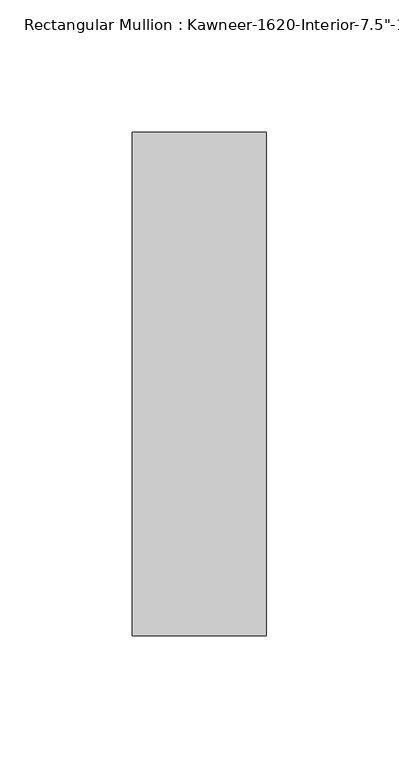
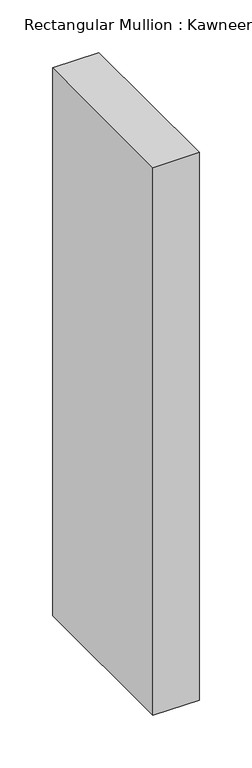
"""IFC4 building model written with IfcOpenShell, lengths in millimetres: member geometry."""

import ifcopenshell
import ifcopenshell.guid

model = None  # the IFC model being written
_history = None  # IfcOwnerHistory: only IFC2X3 demands one
_inside = {}  # id of a spatial element -> (the spatial element, [elements in it])
_under = {}  # id of a project, library or spatial element -> (it, [spatial elements below it])
_declared = {}  # id of a project -> (the project, [libraries it declares])
_typed = {}  # id of a type object -> (the type object, [elements of that type])
_made_of = {}  # id of a material, layer set ... -> (it, [elements and type objects made of it])


def new_model(schema):
    """Start an empty IFC model of exactly this schema.

    Asked for "IFC4X3", IfcOpenShell would pick the latest addendum, in which some entities
    have other attributes; the version numbers below select the first issue.
    IFC2X3 requires an IfcOwnerHistory on every rooted entity: one is made here for all.
    """
    global model, _history
    if schema == "IFC4X3":
        model = ifcopenshell.file(schema_version=(4, 3, 0, 0))
    else:
        model = ifcopenshell.file(schema=schema)
    _inside.clear()
    _under.clear()
    _declared.clear()
    _typed.clear()
    _made_of.clear()
    _history = None
    if model.schema == "IFC2X3":
        org = make("IfcOrganization", Name="unknown")
        user = make(
            "IfcPersonAndOrganization",
            ThePerson=make("IfcPerson", FamilyName="unknown"),
            TheOrganization=org,
        )
        app = make(
            "IfcApplication",
            ApplicationDeveloper=org,
            Version="unknown",
            ApplicationFullName="unknown",
            ApplicationIdentifier="unknown",
        )
        _history = make(
            "IfcOwnerHistory",
            OwningUser=user,
            OwningApplication=app,
            ChangeAction="ADDED",
            CreationDate=0,
        )
    return model


def make(cls, **values):
    """One entity of the class cls with the attributes given. An attribute that is None is left unset."""
    return model.create_entity(
        cls, **{name: value for name, value in values.items() if value is not None}
    )


def rooted(cls, **values):
    """An entity with a GlobalId (a new one), such as an element, a storey or a relation."""
    return make(cls, GlobalId=ifcopenshell.guid.new(), OwnerHistory=_history, **values)


def si_unit(unit_type, name, prefix=None):
    """IfcSIUnit, for example si_unit("LENGTHUNIT", "METRE", prefix="MILLI")."""
    return make("IfcSIUnit", UnitType=unit_type, Prefix=prefix, Name=name)


def assignment(units):
    """IfcUnitAssignment: the units of a project."""
    return None if units is None else make("IfcUnitAssignment", Units=units)


def point(xyz):
    """IfcCartesianPoint."""
    return None if xyz is None else make("IfcCartesianPoint", Coordinates=xyz)


def direction(xyz):
    """IfcDirection."""
    return None if xyz is None else make("IfcDirection", DirectionRatios=xyz)


def frame(location, z_axis=None, x_axis=None):
    """IfcAxis2Placement3D, a coordinate frame: its origin and axes. An axis left out is left unset."""
    return make(
        "IfcAxis2Placement3D",
        Location=point(location),
        Axis=direction(z_axis),
        RefDirection=direction(x_axis),
    )


def origin():
    """The frame at (0, 0, 0) with its axes left unset."""
    return frame((0.0, 0.0, 0.0))


def place(relative_to, where):
    """IfcLocalPlacement: puts the frame where relative to a parent placement (None: the world)."""
    return make(
        "IfcLocalPlacement", PlacementRelTo=relative_to, RelativePlacement=where
    )


def context(
    kind, dimensions, precision=None, world=None, true_north=None, identifier=None
):
    """IfcGeometricRepresentationContext, for example the 3D "Model" context."""
    return make(
        "IfcGeometricRepresentationContext",
        ContextIdentifier=identifier,
        ContextType=kind,
        CoordinateSpaceDimension=dimensions,
        Precision=precision,
        WorldCoordinateSystem=world,
        TrueNorth=true_north,
    )


def project(units=None, contexts=None):
    """IfcProject with its units and contexts."""
    return rooted(
        "IfcProject",
        Name="project",
        RepresentationContexts=contexts,
        UnitsInContext=assignment(units),
    )


def spatial(cls, under=None, at=None, **own):
    """A site, building, storey or space (cls), placed at a placement, below another one or the project."""
    s = rooted(cls, ObjectPlacement=at, **own)
    if under is not None:
        _under.setdefault(under.id(), (under, []))[1].append(s)
    return s


def polyline(points):
    """IfcPolyline through the points."""
    return make("IfcPolyline", Points=[point(p) for p in points])


def outline(outer, holes=None, kind="AREA"):
    """IfcArbitraryClosedProfileDef: a profile drawn as a closed curve; with holes, ...WithVoids."""
    if holes is None:
        return make("IfcArbitraryClosedProfileDef", ProfileType=kind, OuterCurve=outer)
    return make(
        "IfcArbitraryProfileDefWithVoids",
        ProfileType=kind,
        OuterCurve=outer,
        InnerCurves=holes,
    )


def extrude(swept, where, along, depth):
    """IfcExtrudedAreaSolid: the profile swept, set in the frame where, extruded along a direction by depth."""
    return make(
        "IfcExtrudedAreaSolid",
        SweptArea=swept,
        Position=where,
        ExtrudedDirection=direction(along),
        Depth=depth,
    )


def shape(context_of_items, identifier, shape_type, items):
    """IfcShapeRepresentation: the items that make up one representation, for example the "Body"."""
    return make(
        "IfcShapeRepresentation",
        ContextOfItems=context_of_items,
        RepresentationIdentifier=identifier,
        RepresentationType=shape_type,
        Items=items,
    )


def source(mapping_origin, context_of_items, identifier, shape_type, items):
    """IfcRepresentationMap: a shape defined once, which mapped items show again and again."""
    return make(
        "IfcRepresentationMap",
        MappingOrigin=mapping_origin,
        MappedRepresentation=shape(context_of_items, identifier, shape_type, items),
    )


def transform(
    local_origin,
    x_axis=None,
    y_axis=None,
    z_axis=None,
    scale=None,
    scale2=None,
    scale3=None,
    uniform=True,
):
    """IfcCartesianTransformationOperator3D, or its non-uniform kind. x_axis, y_axis, z_axis: its Axis1, 2, 3."""
    if uniform:
        return make(
            "IfcCartesianTransformationOperator3D",
            Axis1=direction(x_axis),
            Axis2=direction(y_axis),
            LocalOrigin=point(local_origin),
            Scale=scale,
            Axis3=direction(z_axis),
        )
    return make(
        "IfcCartesianTransformationOperator3DnonUniform",
        Axis1=direction(x_axis),
        Axis2=direction(y_axis),
        LocalOrigin=point(local_origin),
        Scale=scale,
        Axis3=direction(z_axis),
        Scale2=scale2,
        Scale3=scale3,
    )


def mapped(mapping_source, mapping_target):
    """IfcMappedItem: shows the shape of a source again, moved by a transform."""
    return make(
        "IfcMappedItem", MappingSource=mapping_source, MappingTarget=mapping_target
    )


def made_of(thing, what):
    """Note that an element or type object is made of a material, layer set ...; save() writes the relation."""
    if what is not None:
        _made_of.setdefault(what.id(), (what, []))[1].append(thing)
    return thing


def element(
    cls,
    number,
    at=None,
    inside=None,
    cuts=None,
    type_object=None,
    material=None,
    context=None,
    identifier="Body",
    shape_type=None,
    held_by="IfcProductDefinitionShape",
    body=None,
    shapes=None,
    **own,
):
    """One element of the class cls, such as IfcWall. Its Tag is "e" and its number.

    at: its placement. inside: the storey or other place that contains it. cuts: it is an
    opening in that element (IfcRelVoidsElement). A single representation is given by context,
    identifier, shape_type and body (its items); several are given by shapes. held_by: the class
    of the entity that holds the representations. save() writes the other relations.
    """
    e = rooted(cls, Tag="e%d" % number, ObjectPlacement=at, **own)
    if body is not None:
        shapes = [shape(context, identifier, shape_type, body)]
    if shapes is not None:
        e.Representation = make(held_by, Representations=shapes)
    if inside is not None:
        _inside.setdefault(inside.id(), (inside, []))[1].append(e)
    if cuts is not None:
        rooted(
            "IfcRelVoidsElement", RelatingBuildingElement=cuts, RelatedOpeningElement=e
        )
    if type_object is not None:
        _typed.setdefault(type_object.id(), (type_object, []))[1].append(e)
    return made_of(e, material)


def aggregate(whole, parts):
    """IfcRelAggregates: a whole, such as a stair, and the parts it consists of."""
    return rooted("IfcRelAggregates", RelatingObject=whole, RelatedObjects=parts)


def save(model, path):
    """Write the relations noted so far, then the file.

    IfcRelAggregates (storeys below a building ...), IfcRelContainedInSpatialStructure (elements
    in a storey), IfcRelDefinesByType, IfcRelAssociatesMaterial and IfcRelDeclares: one each for
    every whole, place, type object, material and project.
    """
    for whole, parts in _under.values():
        aggregate(whole, parts)
    for where, things in _inside.values():
        rooted(
            "IfcRelContainedInSpatialStructure",
            RelatedElements=things,
            RelatingStructure=where,
        )
    for kind, things in _typed.values():
        rooted("IfcRelDefinesByType", RelatedObjects=things, RelatingType=kind)
    for what, things in _made_of.values():
        rooted("IfcRelAssociatesMaterial", RelatedObjects=things, RelatingMaterial=what)
    for by, libraries in _declared.values():
        rooted("IfcRelDeclares", RelatingContext=by, RelatedDefinitions=libraries)
    model.write(path)


def member_84841b17(model_context):
    return source(origin(), model_context, "Body", "SweptSolid", [
        extrude(outline(polyline([(25.4, -161.925), (-25.4, -161.925), (-25.4, 28.575), (25.4, 28.575), (25.4, -161.925)])), frame((0.0, 0.0, -635.0), z_axis=(0.0, 0.0, 1.0), x_axis=(1.0, 0.0, 0.0)), (0.0, 0.0, 1.0), 635.0),
    ])


if __name__ == "__main__":
    model = new_model("IFC4")
    model_context = context("Model", 3, world=origin())
    ifc_project = project(units=[si_unit("LENGTHUNIT", "METRE", prefix="MILLI")], contexts=[model_context])
    site = spatial("IfcSite", under=ifc_project)
    building = spatial("IfcBuilding", under=site)
    placement = place(None, origin())
    member_shape = member_84841b17(model_context)
    element("IfcMember", 1, ObjectType="Rectangular Mullion : Kawneer-1620-Interior-7.5\"-1/4\"Infill", at=placement, inside=building, context=model_context, shape_type="MappedRepresentation", body=[
        mapped(member_shape, transform((0.0, 0.0, 0.0), x_axis=(1.0, 0.0, 0.0), y_axis=(0.0, 1.0, 0.0), z_axis=(0.0, 0.0, 1.0))),
    ])
    save(model, "model.ifc")
